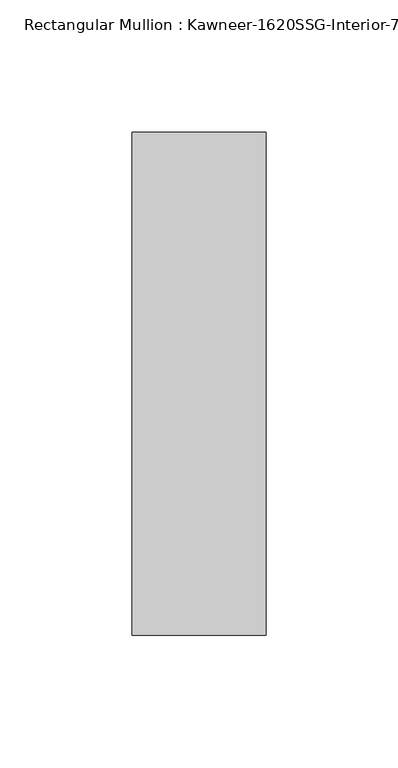
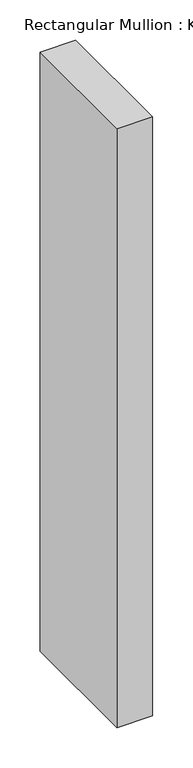
"""IFC4 building model written with IfcOpenShell, lengths in millimetres: member geometry."""

from ifc_helpers import new_model, si_unit, frame, origin, place, context, project, spatial, polyline, outline, extrude, source, transform, mapped, element, save


def member_da65407c(model_context):
    return source(origin(), model_context, "Body", "SweptSolid", [
        extrude(outline(polyline([(25.4, 161.925), (25.4, -28.575), (-25.4, -28.575), (-25.4, 161.925), (25.4, 161.925)])), frame((0.0, 0.0, -904.875), z_axis=(0.0, 0.0, 1.0), x_axis=(1.0, 0.0, 0.0)), (0.0, 0.0, 1.0), 904.875),
    ])


if __name__ == "__main__":
    model = new_model("IFC4")
    model_context = context("Model", 3, world=origin())
    ifc_project = project(units=[si_unit("LENGTHUNIT", "METRE", prefix="MILLI")], contexts=[model_context])
    site = spatial("IfcSite", under=ifc_project)
    building = spatial("IfcBuilding", under=site)
    placement = place(None, origin())
    member_shape = member_da65407c(model_context)
    element("IfcMember", 1, ObjectType="Rectangular Mullion : Kawneer-1620SSG-Interior-7.5\"-1/4\"Infill", at=placement, inside=building, context=model_context, shape_type="MappedRepresentation", body=[
        mapped(member_shape, transform((0.0, 0.0, 0.0), x_axis=(1.0, 0.0, 0.0), y_axis=(0.0, 1.0, 0.0), z_axis=(0.0, 0.0, 1.0))),
    ])
    save(model, "model.ifc")
